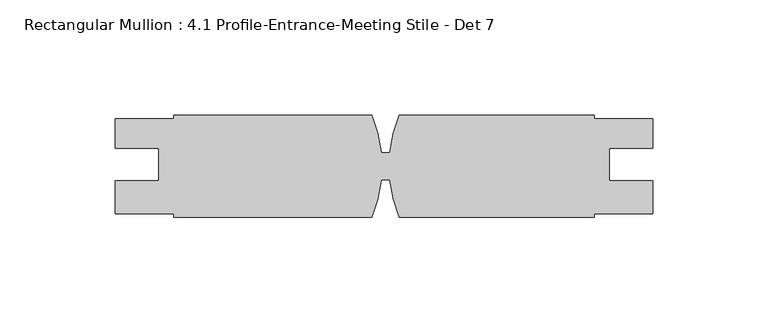
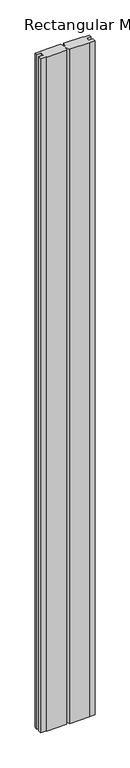
"""IFC4 building model written with IfcOpenShell, lengths in millimetres: member geometry, Rectangular Mullion : 4.1 Profile-Entrance-Meeting Stile - Det 7."""

from ifc_helpers import new_model, si_unit, point, frame, frame_2d, origin, place, context, project, spatial, polyline, circle_curve, trimmed, segment, composite_curve, outline, extrude, source, transform, mapped, element, save


def rectangular_mullion_4_1_profile_entrance_meeting_stile_det_7_c7d41845(model_context):
    return source(origin(), model_context, "Body", "SweptSolid", [
        extrude(outline(composite_curve([segment(polyline([(-208.306752, 29.8341655), (-122.1863255, 29.8341655)]), True, "CONTINUOUS"), segment(trimmed(circle_curve(frame_2d((-176.556752, 7.6091655)), 58.7375), [point((-122.1863255, 29.8341655))], [point((-118.1366408, 13.7070758))], False, "CARTESIAN"), True, "CONTINUOUS"), segment(polyline([(-118.1366408, 13.7070758), (-114.344402, 13.5366413)]), True, "CONTINUOUS"), segment(trimmed(circle_curve(frame_2d((-55.906752, 7.6091655)), 58.7375), [point((-114.344402, 13.5366413))], [point((-110.2771786, 29.8341655))], False, "CARTESIAN"), True, "CONTINUOUS"), segment(polyline([(-110.2771786, 29.8341655), (-25.4, 29.8341655), (-25.4, 28.2339655), (0.0, 28.2339655), (0.0, 15.5212655), (-19.0372991, 15.5212655), (-19.0372991, 1.2337655), (0.0, 1.2337655), (0.0, -13.0283182), (-25.4, -13.0283182), (-25.4, -14.6158345), (-110.2771786, -14.6158345)]), True, "CONTINUOUS"), segment(trimmed(circle_curve(frame_2d((-55.906752, 7.6091655)), 58.7375), [point((-110.2771786, -14.6158345))], [point((-114.344773, 1.6853476))], False, "CARTESIAN"), True, "CONTINUOUS"), segment(polyline([(-114.344773, 1.6853476), (-118.1362556, 1.5149469)]), True, "CONTINUOUS"), segment(trimmed(circle_curve(frame_2d((-176.556752, 7.6091655)), 58.7375), [point((-118.1362556, 1.5149469))], [point((-122.1863255, -14.6158345))], False, "CARTESIAN"), True, "CONTINUOUS"), segment(polyline([(-122.1863255, -14.6158345), (-208.306752, -14.6158345), (-208.306752, -13.0283182), (-233.706752, -13.0283182), (-233.706752, 1.2337655), (-214.6694529, 1.2337655), (-214.6694529, 15.5212655), (-233.706752, 15.5212655), (-233.706752, 28.2339655), (-208.306752, 28.2339655), (-208.306752, 29.8341655)]), True, "CONTINUOUS")], self_intersect=False)), frame((0.0, 0.0, -3048.0), z_axis=(0.0, 0.0, 1.0), x_axis=(1.0, 0.0, 0.0)), (0.0, 0.0, 1.0), 3048.0),
    ])


if __name__ == "__main__":
    model = new_model("IFC4")
    model_context = context("Model", 3, world=origin())
    ifc_project = project(units=[si_unit("LENGTHUNIT", "METRE", prefix="MILLI")], contexts=[model_context])
    site = spatial("IfcSite", under=ifc_project)
    building = spatial("IfcBuilding", under=site)
    placement = place(None, origin())
    rectangular_mullion_4_1_profile_entrance_meeting_stile_det_7_shape = rectangular_mullion_4_1_profile_entrance_meeting_stile_det_7_c7d41845(model_context)
    element("IfcMember", 1, ObjectType="Rectangular Mullion : 4.1 Profile-Entrance-Meeting Stile - Det 7", at=placement, inside=building, context=model_context, shape_type="MappedRepresentation", body=[
        mapped(rectangular_mullion_4_1_profile_entrance_meeting_stile_det_7_shape, transform((0.0, 0.0, 0.0), x_axis=(1.0, 0.0, 0.0), y_axis=(0.0, 1.0, 0.0), z_axis=(0.0, 0.0, 1.0))),
    ])
    save(model, "model.ifc")
